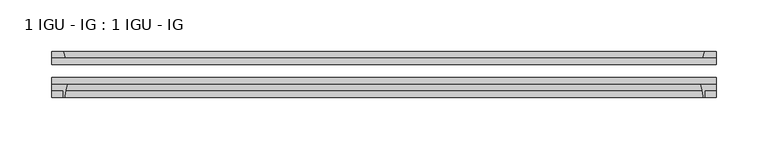
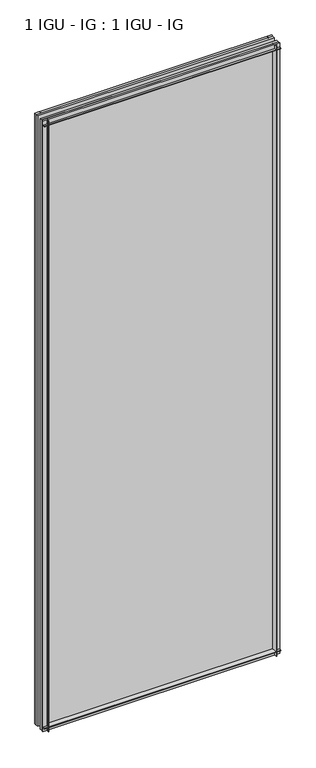
"""IFC4 building model written with IfcOpenShell, lengths in millimetres: plate geometry, 1 IGU - IG : 1 IGU - IG."""

from ifc_helpers import new_model, si_unit, point, frame, frame_2d, origin, place, context, project, spatial, polyline, circle_curve, trimmed, segment, composite_curve, outline, extrude, source, transform, mapped, element, save


def plate_1_igu_ig_1_igu_ig_b40ac97f(model_context):
    return source(origin(), model_context, "Body", "SweptSolid", [
        extrude(outline(polyline([(340.8983699, -31.75), (340.8983699, -38.1), (-302.7983699, -38.1), (-302.7983699, -31.75), (340.8983699, -31.75)])), frame((0.0, 0.0, -11.1125), z_axis=(0.0, 0.0, 1.0), x_axis=(1.0, 0.0, 0.0)), (0.0, 0.0, 1.0), 1755.775),
        extrude(outline(polyline([(-302.7983699, -12.7), (340.8983699, -12.7), (340.8983699, -19.05), (-302.7983699, -19.05), (-302.7983699, -12.7)])), frame((0.0, 0.0, -11.1125), z_axis=(0.0, 0.0, 1.0), x_axis=(1.0, 0.0, 0.0)), (0.0, 0.0, 1.0), 1755.775),
        extrude(outline(composite_curve([segment(polyline([(-302.7983699, -38.1), (-287.5046907, -38.1)]), True, "CONTINUOUS"), segment(trimmed(circle_curve(frame_2d((-244.2456744, -53.3794536)), 45.8781451), [point((-287.5046907, -38.1))], [point((-290.0059272, -50.0925922))], True, "CARTESIAN"), True, "CONTINUOUS"), segment(trimmed(circle_curve(frame_2d((-290.7659691, -50.038)), 0.762), [point((-290.0059272, -50.0925922))], [point((-290.7659691, -50.8))], False, "CARTESIAN"), True, "CONTINUOUS"), segment(polyline([(-290.7659691, -50.8), (-291.6858699, -50.8), (-291.6858699, -44.45), (-302.7983699, -44.45), (-302.7983699, -38.1)]), True, "CONTINUOUS")], self_intersect=False)), frame((0.0, 0.0, -11.1125), z_axis=(0.0, 0.0, 1.0), x_axis=(1.0, 0.0, 0.0)), (0.0, 0.0, 1.0), 1755.775),
        extrude(outline(polyline([(-289.5805929, -12.7), (-302.7983699, -12.7), (-302.7983699, -6.35), (-291.6858699, -6.35), (-289.5805929, -12.7)])), frame((0.0, 0.0, -11.1125), z_axis=(0.0, 0.0, 1.0), x_axis=(1.0, 0.0, 0.0)), (0.0, 0.0, 1.0), 1755.775),
        extrude(outline(polyline([(340.8983699, -12.7), (327.6805929, -12.7), (329.7858699, -6.35), (340.8983699, -6.35), (340.8983699, -12.7)])), frame((0.0, 0.0, -11.1125), z_axis=(0.0, 0.0, 1.0), x_axis=(1.0, 0.0, 0.0)), (0.0, 0.0, 1.0), 1755.775),
        extrude(outline(composite_curve([segment(polyline([(325.6046907, -38.1), (340.8983699, -38.1), (340.8983699, -44.45), (329.7858699, -44.45), (329.7858699, -50.8), (328.8659691, -50.8)]), True, "CONTINUOUS"), segment(trimmed(circle_curve(frame_2d((328.8659691, -50.038)), 0.762), [point((328.8659691, -50.8))], [point((328.1059272, -50.0925922))], False, "CARTESIAN"), True, "CONTINUOUS"), segment(trimmed(circle_curve(frame_2d((282.3456744, -53.3794536)), 45.8781451), [point((328.1059272, -50.0925922))], [point((325.6046907, -38.1))], True, "CARTESIAN"), True, "CONTINUOUS")], self_intersect=False)), frame((0.0, 0.0, -11.1125), z_axis=(0.0, 0.0, 1.0), x_axis=(1.0, 0.0, 0.0)), (0.0, 0.0, 1.0), 1755.775),
        extrude(outline(polyline([(-12.7, -11.1125), (-12.7, 2.1052771), (-6.35, 0.0), (-6.35, -11.1125), (-12.7, -11.1125)])), frame((-302.7983699, 0.0, 0.0), z_axis=(1.0, 0.0, 0.0), x_axis=(0.0, 1.0, 0.0)), (0.0, 0.0, 1.0), 643.6967399),
        extrude(outline(composite_curve([segment(polyline([(-38.1, 4.1811793), (-38.1, -11.1125), (-44.45, -11.1125), (-44.45, 0.0), (-50.8, 0.0), (-50.8, 0.9199009)]), True, "CONTINUOUS"), segment(trimmed(circle_curve(frame_2d((-50.038, 0.9199009)), 0.762), [point((-50.8, 0.9199009))], [point((-50.0925922, 1.6799428))], False, "CARTESIAN"), True, "CONTINUOUS"), segment(trimmed(circle_curve(frame_2d((-53.3794536, 47.4401956)), 45.8781451), [point((-50.0925922, 1.6799428))], [point((-38.1, 4.1811793))], True, "CARTESIAN"), True, "CONTINUOUS")], self_intersect=False)), frame((-302.7983699, 0.0, 0.0), z_axis=(1.0, 0.0, 0.0), x_axis=(0.0, 1.0, 0.0)), (0.0, 0.0, 1.0), 643.6967399),
        extrude(outline(polyline([(-6.35, 1733.55), (-12.7, 1731.4447229), (-12.7, 1744.6625), (-6.35, 1744.6625), (-6.35, 1733.55)])), frame((-302.7983699, 0.0, 0.0), z_axis=(1.0, 0.0, 0.0), x_axis=(0.0, 1.0, 0.0)), (0.0, 0.0, 1.0), 643.6967399),
        extrude(outline(composite_curve([segment(polyline([(-38.1, 1744.6625), (-38.1, 1729.3688207)]), True, "CONTINUOUS"), segment(trimmed(circle_curve(frame_2d((-53.3794536, 1686.1098044)), 45.8781451), [point((-38.1, 1729.3688207))], [point((-50.0925922, 1731.8700572))], True, "CARTESIAN"), True, "CONTINUOUS"), segment(trimmed(circle_curve(frame_2d((-50.038, 1732.6300991)), 0.762), [point((-50.0925922, 1731.8700572))], [point((-50.8, 1732.6300991))], False, "CARTESIAN"), True, "CONTINUOUS"), segment(polyline([(-50.8, 1732.6300991), (-50.8, 1733.55), (-44.45, 1733.55), (-44.45, 1744.6625), (-38.1, 1744.6625)]), True, "CONTINUOUS")], self_intersect=False)), frame((-302.7983699, 0.0, 0.0), z_axis=(1.0, 0.0, 0.0), x_axis=(0.0, 1.0, 0.0)), (0.0, 0.0, 1.0), 643.6967399),
    ])


if __name__ == "__main__":
    model = new_model("IFC4")
    model_context = context("Model", 3, world=origin())
    ifc_project = project(units=[si_unit("LENGTHUNIT", "METRE", prefix="MILLI")], contexts=[model_context])
    site = spatial("IfcSite", under=ifc_project)
    building = spatial("IfcBuilding", under=site)
    placement = place(None, origin())
    plate_1_igu_ig_1_igu_ig_shape = plate_1_igu_ig_1_igu_ig_b40ac97f(model_context)
    element("IfcPlate", 1, ObjectType="1 IGU - IG : 1 IGU - IG", at=placement, inside=building, context=model_context, shape_type="MappedRepresentation", body=[
        mapped(plate_1_igu_ig_1_igu_ig_shape, transform((0.0, 0.0, 0.0), x_axis=(1.0, 0.0, 0.0), y_axis=(0.0, 1.0, 0.0), z_axis=(0.0, 0.0, 1.0))),
    ])
    save(model, "model.ifc")
